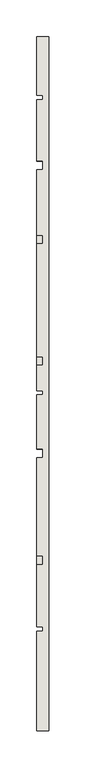
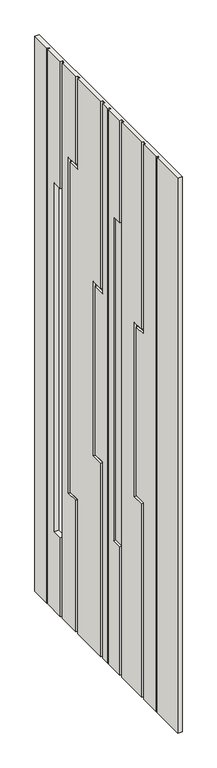
"""IFC4 building model written with IfcOpenShell, lengths in millimetres: wall geometry."""

import ifcopenshell
import ifcopenshell.guid

model = None  # the IFC model being written
_history = None  # IfcOwnerHistory: only IFC2X3 demands one
_inside = {}  # id of a spatial element -> (the spatial element, [elements in it])
_under = {}  # id of a project, library or spatial element -> (it, [spatial elements below it])
_declared = {}  # id of a project -> (the project, [libraries it declares])
_typed = {}  # id of a type object -> (the type object, [elements of that type])
_made_of = {}  # id of a material, layer set ... -> (it, [elements and type objects made of it])


def new_model(schema):
    """Start an empty IFC model of exactly this schema.

    Asked for "IFC4X3", IfcOpenShell would pick the latest addendum, in which some entities
    have other attributes; the version numbers below select the first issue.
    IFC2X3 requires an IfcOwnerHistory on every rooted entity: one is made here for all.
    """
    global model, _history
    if schema == "IFC4X3":
        model = ifcopenshell.file(schema_version=(4, 3, 0, 0))
    else:
        model = ifcopenshell.file(schema=schema)
    _inside.clear()
    _under.clear()
    _declared.clear()
    _typed.clear()
    _made_of.clear()
    _history = None
    if model.schema == "IFC2X3":
        org = make("IfcOrganization", Name="unknown")
        user = make(
            "IfcPersonAndOrganization",
            ThePerson=make("IfcPerson", FamilyName="unknown"),
            TheOrganization=org,
        )
        app = make(
            "IfcApplication",
            ApplicationDeveloper=org,
            Version="unknown",
            ApplicationFullName="unknown",
            ApplicationIdentifier="unknown",
        )
        _history = make(
            "IfcOwnerHistory",
            OwningUser=user,
            OwningApplication=app,
            ChangeAction="ADDED",
            CreationDate=0,
        )
    return model


def make(cls, **values):
    """One entity of the class cls with the attributes given. An attribute that is None is left unset."""
    return model.create_entity(
        cls, **{name: value for name, value in values.items() if value is not None}
    )


def rooted(cls, **values):
    """An entity with a GlobalId (a new one), such as an element, a storey or a relation."""
    return make(cls, GlobalId=ifcopenshell.guid.new(), OwnerHistory=_history, **values)


def si_unit(unit_type, name, prefix=None):
    """IfcSIUnit, for example si_unit("LENGTHUNIT", "METRE", prefix="MILLI")."""
    return make("IfcSIUnit", UnitType=unit_type, Prefix=prefix, Name=name)


def assignment(units):
    """IfcUnitAssignment: the units of a project."""
    return None if units is None else make("IfcUnitAssignment", Units=units)


def point(xyz):
    """IfcCartesianPoint."""
    return None if xyz is None else make("IfcCartesianPoint", Coordinates=xyz)


def direction(xyz):
    """IfcDirection."""
    return None if xyz is None else make("IfcDirection", DirectionRatios=xyz)


def frame(location, z_axis=None, x_axis=None):
    """IfcAxis2Placement3D, a coordinate frame: its origin and axes. An axis left out is left unset."""
    return make(
        "IfcAxis2Placement3D",
        Location=point(location),
        Axis=direction(z_axis),
        RefDirection=direction(x_axis),
    )


def origin():
    """The frame at (0, 0, 0) with its axes left unset."""
    return frame((0.0, 0.0, 0.0))


def place(relative_to, where):
    """IfcLocalPlacement: puts the frame where relative to a parent placement (None: the world)."""
    return make(
        "IfcLocalPlacement", PlacementRelTo=relative_to, RelativePlacement=where
    )


def context(
    kind, dimensions, precision=None, world=None, true_north=None, identifier=None
):
    """IfcGeometricRepresentationContext, for example the 3D "Model" context."""
    return make(
        "IfcGeometricRepresentationContext",
        ContextIdentifier=identifier,
        ContextType=kind,
        CoordinateSpaceDimension=dimensions,
        Precision=precision,
        WorldCoordinateSystem=world,
        TrueNorth=true_north,
    )


def project(units=None, contexts=None):
    """IfcProject with its units and contexts."""
    return rooted(
        "IfcProject",
        Name="project",
        RepresentationContexts=contexts,
        UnitsInContext=assignment(units),
    )


def spatial(cls, under=None, at=None, **own):
    """A site, building, storey or space (cls), placed at a placement, below another one or the project."""
    s = rooted(cls, ObjectPlacement=at, **own)
    if under is not None:
        _under.setdefault(under.id(), (under, []))[1].append(s)
    return s


def faces_of(points, faces, orient=None, outer=None):
    """IfcFace entities. A face is a list of loops; a loop is a list of indices into points, from 0.

    orient and outer hold one flag for each loop. By default every Orientation is true, the
    first loop of a face is its IfcFaceOuterBound and the others are IfcFaceBound.
    """
    made = []
    for i, loops in enumerate(faces):
        bounds = []
        for j, loop in enumerate(loops):
            is_outer = j == 0 if outer is None else outer[i][j]
            bounds.append(
                make(
                    "IfcFaceOuterBound" if is_outer else "IfcFaceBound",
                    Bound=make("IfcPolyLoop", Polygon=[points[k] for k in loop]),
                    Orientation=True if orient is None else orient[i][j],
                )
            )
        made.append(make("IfcFace", Bounds=bounds))
    return made


def faceted_brep(points, faces, orient=None, outer=None, voids=None):
    """IfcFacetedBrep: a solid bounded by flat faces; with voids (closed shells), ...WithVoids."""
    shared = [point(p) for p in points]
    hull = make("IfcClosedShell", CfsFaces=faces_of(shared, faces, orient, outer))
    if voids is None:
        return make("IfcFacetedBrep", Outer=hull)
    return make(
        "IfcFacetedBrepWithVoids",
        Outer=hull,
        Voids=[
            make(cls, CfsFaces=faces_of(shared, fs, o, b)) for cls, fs, o, b in voids
        ],
    )


def shape(context_of_items, identifier, shape_type, items):
    """IfcShapeRepresentation: the items that make up one representation, for example the "Body"."""
    return make(
        "IfcShapeRepresentation",
        ContextOfItems=context_of_items,
        RepresentationIdentifier=identifier,
        RepresentationType=shape_type,
        Items=items,
    )


def source(mapping_origin, context_of_items, identifier, shape_type, items):
    """IfcRepresentationMap: a shape defined once, which mapped items show again and again."""
    return make(
        "IfcRepresentationMap",
        MappingOrigin=mapping_origin,
        MappedRepresentation=shape(context_of_items, identifier, shape_type, items),
    )


def transform(
    local_origin,
    x_axis=None,
    y_axis=None,
    z_axis=None,
    scale=None,
    scale2=None,
    scale3=None,
    uniform=True,
):
    """IfcCartesianTransformationOperator3D, or its non-uniform kind. x_axis, y_axis, z_axis: its Axis1, 2, 3."""
    if uniform:
        return make(
            "IfcCartesianTransformationOperator3D",
            Axis1=direction(x_axis),
            Axis2=direction(y_axis),
            LocalOrigin=point(local_origin),
            Scale=scale,
            Axis3=direction(z_axis),
        )
    return make(
        "IfcCartesianTransformationOperator3DnonUniform",
        Axis1=direction(x_axis),
        Axis2=direction(y_axis),
        LocalOrigin=point(local_origin),
        Scale=scale,
        Axis3=direction(z_axis),
        Scale2=scale2,
        Scale3=scale3,
    )


def mapped(mapping_source, mapping_target):
    """IfcMappedItem: shows the shape of a source again, moved by a transform."""
    return make(
        "IfcMappedItem", MappingSource=mapping_source, MappingTarget=mapping_target
    )


def made_of(thing, what):
    """Note that an element or type object is made of a material, layer set ...; save() writes the relation."""
    if what is not None:
        _made_of.setdefault(what.id(), (what, []))[1].append(thing)
    return thing


def element(
    cls,
    number,
    at=None,
    inside=None,
    cuts=None,
    type_object=None,
    material=None,
    context=None,
    identifier="Body",
    shape_type=None,
    held_by="IfcProductDefinitionShape",
    body=None,
    shapes=None,
    **own,
):
    """One element of the class cls, such as IfcWall. Its Tag is "e" and its number.

    at: its placement. inside: the storey or other place that contains it. cuts: it is an
    opening in that element (IfcRelVoidsElement). A single representation is given by context,
    identifier, shape_type and body (its items); several are given by shapes. held_by: the class
    of the entity that holds the representations. save() writes the other relations.
    """
    e = rooted(cls, Tag="e%d" % number, ObjectPlacement=at, **own)
    if body is not None:
        shapes = [shape(context, identifier, shape_type, body)]
    if shapes is not None:
        e.Representation = make(held_by, Representations=shapes)
    if inside is not None:
        _inside.setdefault(inside.id(), (inside, []))[1].append(e)
    if cuts is not None:
        rooted(
            "IfcRelVoidsElement", RelatingBuildingElement=cuts, RelatedOpeningElement=e
        )
    if type_object is not None:
        _typed.setdefault(type_object.id(), (type_object, []))[1].append(e)
    return made_of(e, material)


def aggregate(whole, parts):
    """IfcRelAggregates: a whole, such as a stair, and the parts it consists of."""
    return rooted("IfcRelAggregates", RelatingObject=whole, RelatedObjects=parts)


def save(model, path):
    """Write the relations noted so far, then the file.

    IfcRelAggregates (storeys below a building ...), IfcRelContainedInSpatialStructure (elements
    in a storey), IfcRelDefinesByType, IfcRelAssociatesMaterial and IfcRelDeclares: one each for
    every whole, place, type object, material and project.
    """
    for whole, parts in _under.values():
        aggregate(whole, parts)
    for where, things in _inside.values():
        rooted(
            "IfcRelContainedInSpatialStructure",
            RelatedElements=things,
            RelatingStructure=where,
        )
    for kind, things in _typed.values():
        rooted("IfcRelDefinesByType", RelatedObjects=things, RelatingType=kind)
    for what, things in _made_of.values():
        rooted("IfcRelAssociatesMaterial", RelatedObjects=things, RelatingMaterial=what)
    for by, libraries in _declared.values():
        rooted("IfcRelDeclares", RelatingContext=by, RelatedDefinitions=libraries)
    model.write(path)


def wall_488780a0(model_context):
    return source(origin(), model_context, "Body", "Brep", [
        faceted_brep([(33304.0624503, -19361.5812754, 4508.0), (33304.0624503, -19361.5812754, 6736.0), (33304.0624503, -19355.5812754, 6736.0), (33304.0624503, -19355.5812754, 4508.0), (33304.0624503, -19444.5812754, 6736.0), (33304.0624503, -19444.5812754, 6225.0), (33304.0624503, -19456.5812754, 6225.0), (33304.0624503, -19456.5812754, 6736.0), (33304.0624503, -19444.5812754, 4825.0), (33304.0624503, -19444.5812754, 4508.0), (33304.0624503, -19456.5812754, 4508.0), (33304.0624503, -19456.5812754, 4825.0), (33304.0624503, -19557.1125772, 5047.0), (33304.0624503, -19509.1125772, 5047.0), (33304.0624503, -19509.1125772, 6373.0), (33304.0624503, -19557.1125772, 6373.0), (33304.0624503, -19557.1125772, 6736.0), (33304.0624503, -19545.1125772, 6736.0), (33304.0624503, -19545.1125772, 6385.0), (33304.0624503, -19497.1125772, 6385.0), (33304.0624503, -19497.1125772, 5035.0), (33304.0624503, -19545.1125772, 5035.0), (33304.0624503, -19545.1125772, 4508.0), (33304.0624503, -19557.1125772, 4508.0), (33304.0624503, -19709.5812754, 5985.0), (33304.0624503, -19661.5812754, 5985.0), (33304.0624503, -19661.5812754, 5285.0), (33304.0624503, -19709.5812754, 5285.0), (33304.0624503, -19709.5812754, 4508.0), (33304.0624503, -19721.5812754, 4508.0), (33304.0624503, -19721.5812754, 5297.0), (33304.0624503, -19673.5812754, 5297.0), (33304.0624503, -19673.5812754, 5973.0), (33304.0624503, -19721.5812754, 5973.0), (33304.0624503, -19721.5812754, 6736.0), (33304.0624503, -19709.5812754, 6736.0), (33304.0624503, -19761.5812754, 4508.0), (33304.0624503, -19761.5812754, 6736.0), (33304.0624503, -19755.5812754, 6736.0), (33304.0624503, -19755.5812754, 4508.0), (33304.0624503, -19834.5812754, 6325.0), (33304.0624503, -19794.5812754, 6325.0), (33304.0624503, -19794.5812754, 5025.0), (33304.0624503, -19834.5812754, 5025.0), (33304.0624503, -19834.5812754, 4508.0), (33304.0624503, -19846.5812754, 4508.0), (33304.0624503, -19846.5812754, 6736.0), (33304.0624503, -19834.5812754, 6736.0), (33304.0624503, -19991.5812754, 4508.0), (33304.0624503, -19991.5812754, 5297.0), (33304.0624503, -19943.5812754, 5297.0), (33304.0624503, -19943.5812754, 5973.0), (33304.0624503, -19991.5812754, 5973.0), (33304.0624503, -19991.5812754, 6736.0), (33304.0624503, -19979.5812754, 6736.0), (33304.0624503, -19979.5812754, 5985.0), (33304.0624503, -19931.5812754, 5985.0), (33304.0624503, -19931.5812754, 5285.0), (33304.0624503, -19979.5812754, 5285.0), (33304.0624503, -19979.5812754, 4508.0), (33304.0624503, -20081.5812754, 4508.0), (33304.0624503, -20081.5812754, 6736.0), (33304.0624503, -20075.5812754, 6736.0), (33304.0624503, -20075.5812754, 4508.0), (33296.0624503, -19361.5812754, 4508.0), (33296.0624503, -19361.5812754, 6736.0), (33296.0624503, -19355.5812754, 6736.0), (33296.0624503, -19355.5812754, 4508.0), (33296.0624503, -19444.5812754, 6736.0), (33296.0624503, -19444.5812754, 6225.0), (33296.0624503, -19404.5812754, 6225.0), (33312.0624503, -19404.5812754, 6225.0), (33312.0624503, -19456.5812754, 6225.0), (33296.0624503, -19404.5812754, 4825.0), (33312.0624503, -19404.5812754, 4825.0), (33296.0624503, -19444.5812754, 4825.0), (33312.0624503, -19456.5812754, 4825.0), (33296.0624503, -19444.5812754, 4508.0), (33296.0624503, -19456.5812754, 4508.0), (33296.0624503, -19456.5812754, 6736.0), (33296.0624503, -19557.1125772, 5047.0), (33296.0624503, -19509.1125772, 5047.0), (33296.0624503, -19509.1125772, 6373.0), (33296.0624503, -19557.1125772, 6373.0), (33296.0624503, -19557.1125772, 6736.0), (33296.0624503, -19545.1125772, 6736.0), (33296.0624503, -19545.1125772, 6385.0), (33296.0624503, -19497.1125772, 6385.0), (33296.0624503, -19497.1125772, 5035.0), (33296.0624503, -19545.1125772, 5035.0), (33296.0624503, -19545.1125772, 4508.0), (33296.0624503, -19557.1125772, 4508.0), (33296.0624503, -19709.5812754, 5985.0), (33296.0624503, -19661.5812754, 5985.0), (33296.0624503, -19661.5812754, 5285.0), (33296.0624503, -19709.5812754, 5285.0), (33296.0624503, -19709.5812754, 4508.0), (33296.0624503, -19721.5812754, 4508.0), (33296.0624503, -19721.5812754, 5297.0), (33296.0624503, -19673.5812754, 5297.0), (33296.0624503, -19673.5812754, 5973.0), (33296.0624503, -19721.5812754, 5973.0), (33296.0624503, -19721.5812754, 6736.0), (33296.0624503, -19709.5812754, 6736.0), (33296.0624503, -19761.5812754, 4508.0), (33296.0624503, -19761.5812754, 6736.0), (33296.0624503, -19755.5812754, 6736.0), (33296.0624503, -19755.5812754, 4508.0), (33296.0624503, -19834.5812754, 6325.0), (33296.0624503, -19794.5812754, 6325.0), (33296.0624503, -19794.5812754, 5025.0), (33296.0624503, -19834.5812754, 5025.0), (33296.0624503, -19834.5812754, 4508.0), (33296.0624503, -19846.5812754, 4508.0), (33296.0624503, -19846.5812754, 6736.0), (33296.0624503, -19834.5812754, 6736.0), (33296.0624503, -19991.5812754, 4508.0), (33296.0624503, -19991.5812754, 5297.0), (33296.0624503, -19943.5812754, 5297.0), (33296.0624503, -19943.5812754, 5973.0), (33296.0624503, -19991.5812754, 5973.0), (33296.0624503, -19991.5812754, 6736.0), (33296.0624503, -19979.5812754, 6736.0), (33296.0624503, -19979.5812754, 5985.0), (33296.0624503, -19931.5812754, 5985.0), (33296.0624503, -19931.5812754, 5285.0), (33296.0624503, -19979.5812754, 5285.0), (33296.0624503, -19979.5812754, 4508.0), (33296.0624503, -20081.5812754, 4508.0), (33296.0624503, -20081.5812754, 6736.0), (33296.0624503, -20075.5812754, 6736.0), (33296.0624503, -20075.5812754, 4508.0), (33296.0624503, -20216.5812754, 4508.0), (33296.0624503, -20216.5812754, 6736.0), (33296.0624503, -19276.5812754, 6736.0), (33296.0624503, -19276.5812754, 4508.0), (33312.0624503, -19276.5812754, 4508.0), (33312.0624503, -19276.5812754, 6736.0), (33312.0624503, -20216.5812754, 6736.0), (33312.0624503, -20216.5812754, 4508.0)], [[[0, 1, 2, 3]], [[4, 5, 6, 7]], [[8, 9, 10, 11]], [[12, 13, 14, 15, 16, 17, 18, 19, 20, 21, 22, 23]], [[24, 25, 26, 27, 28, 29, 30, 31, 32, 33, 34, 35]], [[36, 37, 38, 39]], [[40, 41, 42, 43, 44, 45, 46, 47]], [[48, 49, 50, 51, 52, 53, 54, 55, 56, 57, 58, 59]], [[60, 61, 62, 63]], [[1, 0, 64, 65]], [[3, 2, 66, 67]], [[5, 4, 68, 69]], [[5, 69, 70, 71, 72, 6]], [[71, 70, 73, 74]], [[74, 73, 75, 8, 11, 76]], [[9, 8, 75, 77]], [[10, 78, 79, 7, 6, 72, 76, 11]], [[13, 12, 80, 81]], [[14, 13, 81, 82]], [[15, 14, 82, 83]], [[16, 15, 83, 84]], [[18, 17, 85, 86]], [[19, 18, 86, 87]], [[20, 19, 87, 88]], [[21, 20, 88, 89]], [[22, 21, 89, 90]], [[12, 23, 91, 80]], [[25, 24, 92, 93]], [[26, 25, 93, 94]], [[27, 26, 94, 95]], [[28, 27, 95, 96]], [[30, 29, 97, 98]], [[31, 30, 98, 99]], [[32, 31, 99, 100]], [[33, 32, 100, 101]], [[34, 33, 101, 102]], [[24, 35, 103, 92]], [[37, 36, 104, 105]], [[39, 38, 106, 107]], [[41, 40, 108, 109]], [[42, 41, 109, 110]], [[43, 42, 110, 111]], [[44, 43, 111, 112]], [[46, 45, 113, 114]], [[40, 47, 115, 108]], [[49, 48, 116, 117]], [[50, 49, 117, 118]], [[51, 50, 118, 119]], [[52, 51, 119, 120]], [[53, 52, 120, 121]], [[55, 54, 122, 123]], [[56, 55, 123, 124]], [[57, 56, 124, 125]], [[58, 57, 125, 126]], [[59, 58, 126, 127]], [[61, 60, 128, 129]], [[63, 62, 130, 131]], [[132, 133, 129, 128]], [[134, 135, 67, 66]], [[64, 77, 75, 73, 70, 69, 68, 65]], [[91, 96, 95, 94, 93, 92, 103, 84, 83, 82, 81, 80]], [[97, 107, 106, 102, 101, 100, 99, 98]], [[104, 112, 111, 110, 109, 108, 115, 105]], [[113, 127, 126, 125, 124, 123, 122, 114]], [[116, 131, 130, 121, 120, 119, 118, 117]], [[79, 78, 90, 89, 88, 87, 86, 85]], [[136, 137, 138, 139], [74, 76, 72, 71]], [[136, 139, 132, 128, 60, 63, 131, 116, 48, 59, 127, 113, 45, 44, 112, 104, 36, 39, 107, 97, 29, 28, 96, 91, 23, 22, 90, 78, 10, 9, 77, 64, 0, 3, 67, 135]], [[133, 132, 139, 138]], [[138, 137, 134, 66, 2, 1, 65, 68, 4, 7, 79, 85, 17, 16, 84, 103, 35, 34, 102, 106, 38, 37, 105, 115, 47, 46, 114, 122, 54, 53, 121, 130, 62, 61, 129, 133]], [[135, 134, 137, 136]]]),
    ])


if __name__ == "__main__":
    model = new_model("IFC4")
    model_context = context("Model", 3, world=origin())
    ifc_project = project(units=[si_unit("LENGTHUNIT", "METRE", prefix="MILLI")], contexts=[model_context])
    site = spatial("IfcSite", under=ifc_project)
    building = spatial("IfcBuilding", under=site)
    placement = place(None, origin())
    wall_shape = wall_488780a0(model_context)
    element("IfcWall", 1, at=placement, inside=building, context=model_context, shape_type="MappedRepresentation", body=[
        mapped(wall_shape, transform((0.0, 0.0, 0.0), x_axis=(1.0, 0.0, 0.0), y_axis=(0.0, 1.0, 0.0), z_axis=(0.0, 0.0, 1.0))),
    ])
    save(model, "model.ifc")
